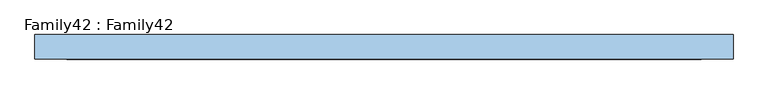
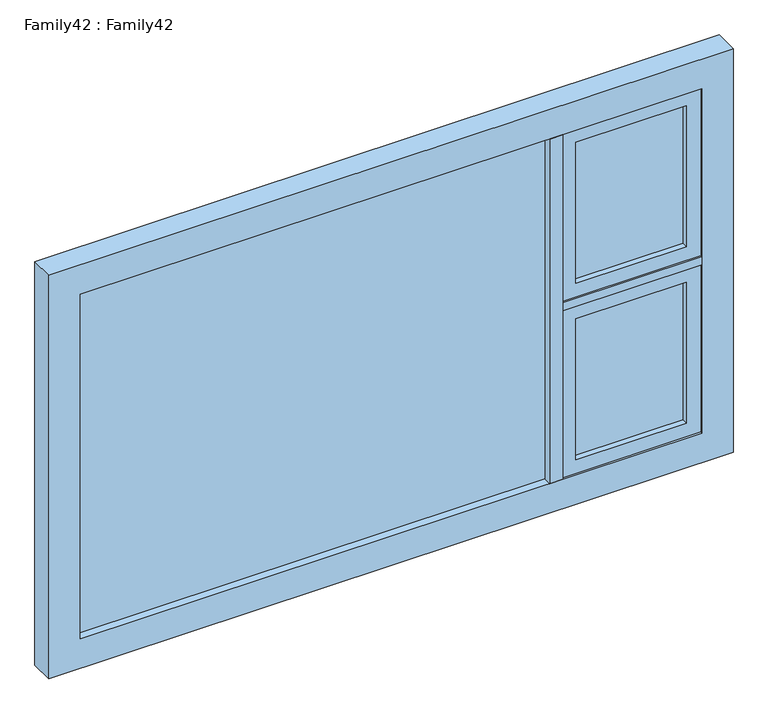
"""IFC4 building model written with IfcOpenShell, lengths in millimetres: window geometry, Family42 : Family42."""

from ifc_helpers import new_model, si_unit, frame, origin, place, context, project, spatial, polyline, outline, extrude, source, transform, mapped, element, save


def family42_family42_2b2eff33(model_context):
    return source(origin(), model_context, "Body", "SweptSolid", [
        extrude(outline(polyline([(1036.0, 14.0), (1036.0, 10.0), (650.0, 10.0), (650.0, 14.0), (1036.0, 14.0)])), frame((0.0, 0.0, 959.0), z_axis=(0.0, 0.0, 1.0), x_axis=(1.0, 0.0, 0.0)), (0.0, 0.0, 1.0), 521.0),
        extrude(outline(polyline([(650.0, -14.0), (650.0, -10.0), (1036.0, -10.0), (1036.0, -14.0), (650.0, -14.0)])), frame((0.0, 0.0, 959.0), z_axis=(0.0, 0.0, 1.0), x_axis=(1.0, 0.0, 0.0)), (0.0, 0.0, 1.0), 521.0),
        extrude(outline(polyline([(1530.0, 1086.0), (1530.0, 600.0), (909.0, 600.0), (909.0, 1086.0), (1530.0, 1086.0)]), holes=[polyline([(959.0, 650.0), (1480.0, 650.0), (1480.0, 1036.0), (959.0, 1036.0), (959.0, 650.0)])]), frame((0.0, -35.5110303, 0.0), z_axis=(0.0, 1.0, 0.0), x_axis=(0.0, 0.0, 1.0)), (0.0, 0.0, 1.0), 70.4146297),
        extrude(outline(polyline([(553.8050141, 14.0), (553.8050141, 10.0), (-1086.0, 10.0), (-1086.0, 14.0), (553.8050141, 14.0)])), frame((0.0, 0.0, 909.0), z_axis=(0.0, 0.0, 1.0), x_axis=(1.0, 0.0, 0.0)), (0.0, 0.0, 1.0), 1272.0),
        extrude(outline(polyline([(-1086.0, -14.0), (-1086.0, -10.0), (553.8050141, -10.0), (553.8050141, -14.0), (-1086.0, -14.0)])), frame((0.0, 0.0, 909.0), z_axis=(0.0, 0.0, 1.0), x_axis=(1.0, 0.0, 0.0)), (0.0, 0.0, 1.0), 1272.0),
        extrude(outline(polyline([(600.0, -42.0), (553.8050141, -42.0), (553.8050141, 42.0), (600.0, 42.0), (600.0, -42.0)])), frame((0.0, 0.0, 909.0), z_axis=(0.0, 0.0, 1.0), x_axis=(1.0, 0.0, 0.0)), (0.0, 0.0, 1.0), 1272.0),
        extrude(outline(polyline([(2290.0, 1195.0), (2290.0, -1195.0), (800.0, -1195.0), (800.0, 1195.0), (2290.0, 1195.0)]), holes=[polyline([(909.0, 1086.0), (909.0, -1086.0), (2181.0, -1086.0), (2181.0, 1086.0), (909.0, 1086.0)])]), frame((0.0, -42.0, 0.0), z_axis=(0.0, 1.0, 0.0), x_axis=(0.0, 0.0, 1.0)), (0.0, 0.0, 1.0), 84.0),
        extrude(outline(polyline([(1086.0, -42.0), (600.0, -42.0), (600.0, 42.0), (1086.0, 42.0), (1086.0, -42.0)])), frame((0.0, 0.0, 1530.0), z_axis=(0.0, 0.0, 1.0), x_axis=(1.0, 0.0, 0.0)), (0.0, 0.0, 1.0), 30.0),
        extrude(outline(polyline([(1036.0, 14.0), (1036.0, 10.0), (650.0, 10.0), (650.0, 14.0), (1036.0, 14.0)])), frame((0.0, 0.0, 1610.0), z_axis=(0.0, 0.0, 1.0), x_axis=(1.0, 0.0, 0.0)), (0.0, 0.0, 1.0), 521.0),
        extrude(outline(polyline([(650.0, -14.0), (650.0, -10.0), (1036.0, -10.0), (1036.0, -14.0), (650.0, -14.0)])), frame((0.0, 0.0, 1610.0), z_axis=(0.0, 0.0, 1.0), x_axis=(1.0, 0.0, 0.0)), (0.0, 0.0, 1.0), 521.0),
        extrude(outline(polyline([(2181.0, 1086.0), (2181.0, 600.0), (1560.0, 600.0), (1560.0, 1086.0), (2181.0, 1086.0)]), holes=[polyline([(1610.0, 650.0), (2131.0, 650.0), (2131.0, 1036.0), (1610.0, 1036.0), (1610.0, 650.0)])]), frame((0.0, -35.5110303, 0.0), z_axis=(0.0, 1.0, 0.0), x_axis=(0.0, 0.0, 1.0)), (0.0, 0.0, 1.0), 70.4146297),
    ])


if __name__ == "__main__":
    model = new_model("IFC4")
    model_context = context("Model", 3, world=origin())
    ifc_project = project(units=[si_unit("LENGTHUNIT", "METRE", prefix="MILLI")], contexts=[model_context])
    site = spatial("IfcSite", under=ifc_project)
    building = spatial("IfcBuilding", under=site)
    placement = place(None, origin())
    family42_family42_shape = family42_family42_2b2eff33(model_context)
    element("IfcWindow", 1, ObjectType="Family42 : Family42", at=placement, inside=building, context=model_context, shape_type="MappedRepresentation", body=[
        mapped(family42_family42_shape, transform((0.0, 0.0, 0.0), x_axis=(1.0, 0.0, 0.0), y_axis=(0.0, 1.0, 0.0), z_axis=(0.0, 0.0, 1.0))),
    ])
    save(model, "model.ifc")
